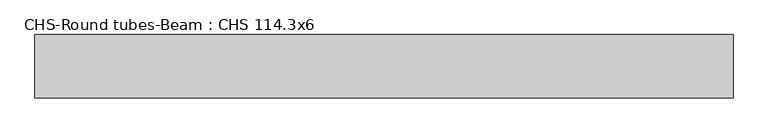
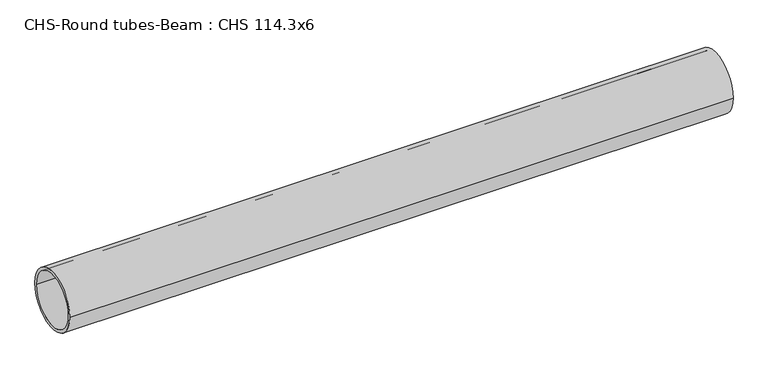
"""IFC4 building model written with IfcOpenShell, lengths in millimetres: beam geometry, CHS-Round tubes-Beam : CHS 114.3x6."""

from ifc_helpers import new_model, si_unit, point, frame, origin, origin_2d, place, context, project, spatial, circle_curve, trimmed, segment, composite_curve, outline, extrude, source, transform, mapped, element, save


def chs_round_tubes_beam_chs_114_3x6_02bfc972(model_context):
    return source(origin(), model_context, "Body", "SweptSolid", [
        extrude(outline(composite_curve([segment(trimmed(circle_curve(origin_2d(), 57.15), [point((57.15, 0.0))], [point((-57.15, 0.0))], False, "CARTESIAN"), True, "CONTINUOUS"), segment(trimmed(circle_curve(origin_2d(), 57.15), [point((-57.15, 0.0))], [point((57.15, 0.0))], False, "CARTESIAN"), True, "CONTINUOUS")], self_intersect=False), holes=[composite_curve([segment(trimmed(circle_curve(origin_2d(), 51.15), [point((51.15, 0.0))], [point((-51.15, 0.0))], True, "CARTESIAN"), True, "CONTINUOUS"), segment(trimmed(circle_curve(origin_2d(), 51.15), [point((-51.15, 0.0))], [point((51.15, 0.0))], True, "CARTESIAN"), True, "CONTINUOUS")], self_intersect=False)]), frame((-627.8624396, 0.0, 0.0), z_axis=(1.0, 0.0, 0.0), x_axis=(0.0, 1.0, 0.0)), (0.0, 0.0, 1.0), 1255.7246755),
    ])


if __name__ == "__main__":
    model = new_model("IFC4")
    model_context = context("Model", 3, world=origin())
    ifc_project = project(units=[si_unit("LENGTHUNIT", "METRE", prefix="MILLI")], contexts=[model_context])
    site = spatial("IfcSite", under=ifc_project)
    building = spatial("IfcBuilding", under=site)
    placement = place(None, origin())
    chs_round_tubes_beam_chs_114_3x6_shape = chs_round_tubes_beam_chs_114_3x6_02bfc972(model_context)
    element("IfcBeam", 1, ObjectType="CHS-Round tubes-Beam : CHS 114.3x6", at=placement, inside=building, context=model_context, shape_type="MappedRepresentation", body=[
        mapped(chs_round_tubes_beam_chs_114_3x6_shape, transform((0.0, 0.0, 0.0), x_axis=(1.0, 0.0, 0.0), y_axis=(0.0, 1.0, 0.0), z_axis=(0.0, 0.0, 1.0))),
    ])
    save(model, "model.ifc")
